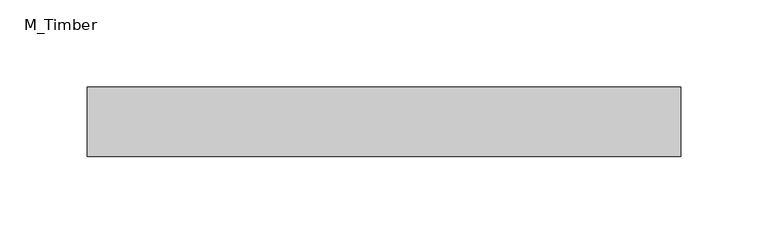
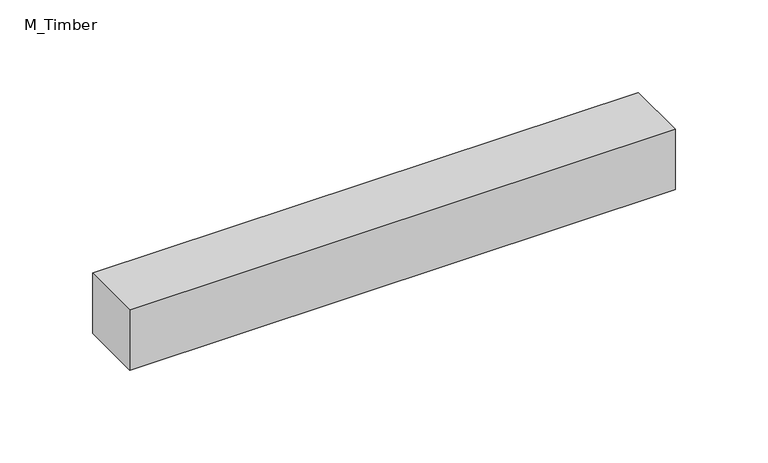
"""IFC4 building model written with IfcOpenShell, lengths in millimetres: beam geometry, M_Timber."""

from ifc_helpers import new_model, si_unit, frame, origin, place, context, project, spatial, polyline, outline, extrude, source, transform, mapped, element, save


def m_timber_1a48940a(model_context):
    return source(origin(), model_context, "Body", "SweptSolid", [
        extrude(outline(polyline([(170.2583517, 20.0), (170.2583517, -20.0), (-170.2583517, -20.0), (-170.2583517, 20.0), (170.2583517, 20.0)])), frame((0.0, 0.0, -20.0), z_axis=(0.0, 0.0, 1.0), x_axis=(1.0, 0.0, 0.0)), (0.0, 0.0, 1.0), 40.0),
    ])


if __name__ == "__main__":
    model = new_model("IFC4")
    model_context = context("Model", 3, world=origin())
    ifc_project = project(units=[si_unit("LENGTHUNIT", "METRE", prefix="MILLI")], contexts=[model_context])
    site = spatial("IfcSite", under=ifc_project)
    building = spatial("IfcBuilding", under=site)
    placement = place(None, origin())
    m_timber_shape = m_timber_1a48940a(model_context)
    element("IfcBeam", 1, ObjectType="M_Timber", at=placement, inside=building, context=model_context, shape_type="MappedRepresentation", body=[
        mapped(m_timber_shape, transform((0.0, 0.0, 0.0), x_axis=(1.0, 0.0, 0.0), y_axis=(0.0, 1.0, 0.0), z_axis=(0.0, 0.0, 1.0))),
    ])
    save(model, "model.ifc")
